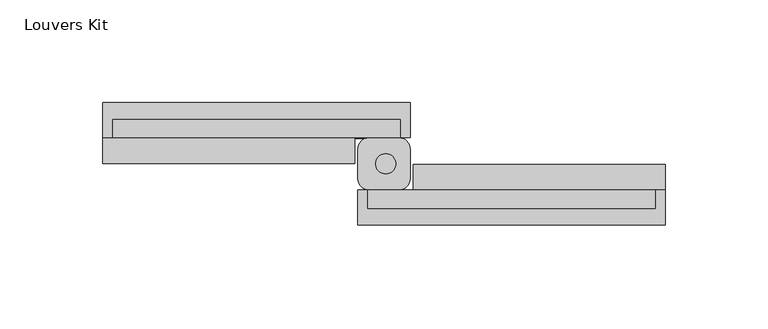
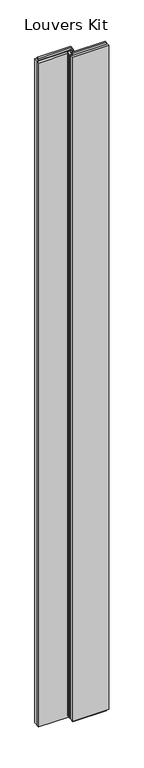
"""IFC4 building model written with IfcOpenShell, lengths in millimetres: proxy geometry, Louvers Kit."""

from ifc_helpers import new_model, si_unit, point, frame, frame_2d, origin, place, context, project, spatial, polyline, circle_curve, trimmed, segment, composite_curve, outline, extrude, source, transform, mapped, element, save


def louvers_kit_bd4141d8(model_context):
    return source(origin(), model_context, "Body", "SweptSolid", [
        extrude(outline(composite_curve([segment(trimmed(circle_curve(frame_2d((1630.6058798, 1062.3574405)), 4.8972954), [point((1630.6058798, 1067.2547359))], [point((1630.6058798, 1057.4601452))], False, "CARTESIAN"), True, "CONTINUOUS"), segment(trimmed(circle_curve(frame_2d((1630.6058798, 1062.3574405)), 4.8972954), [point((1630.6058798, 1057.4601452))], [point((1630.6058798, 1067.2547359))], False, "CARTESIAN"), True, "CONTINUOUS")], self_intersect=False)), frame((0.0, 0.0, 2931.287), z_axis=(0.0, 0.0, 1.0), x_axis=(1.0, 0.0, 0.0)), (0.0, 0.0, 1.0), 12.573),
        extrude(outline(polyline([(1048.2753817, 2934.462), (1042.1494993, 2934.462), (1040.7674405, 2943.86), (1049.6574405, 2943.86), (1048.2753817, 2934.462)])), frame((1621.8509986, 0.0, 0.0), z_axis=(1.0, 0.0, 0.0), x_axis=(0.0, 1.0, 0.0)), (0.0, 0.0, 1.0), 139.7),
        extrude(outline(polyline([(1049.6574405, 0.0), (1040.7674405, 0.0), (1042.1494993, 9.398), (1048.2753817, 9.398), (1049.6574405, 0.0)])), frame((1621.8509986, 0.0, 0.0), z_axis=(1.0, 0.0, 0.0), x_axis=(0.0, 1.0, 0.0)), (0.0, 0.0, 1.0), 139.7),
        extrude(outline(polyline([(1075.0574405, 2943.86), (1083.9474405, 2943.86), (1082.5653817, 2934.462), (1076.4394993, 2934.462), (1075.0574405, 2943.86)])), frame((1498.0259986, 0.0, 0.0), z_axis=(1.0, 0.0, 0.0), x_axis=(0.0, 1.0, 0.0)), (0.0, 0.0, 1.0), 139.7),
        extrude(outline(polyline([(1083.9474405, 0.0), (1075.0574405, 0.0), (1076.4394993, 9.398), (1082.5653817, 9.398), (1083.9474405, 0.0)])), frame((1498.0259986, 0.0, 0.0), z_axis=(1.0, 0.0, 0.0), x_axis=(0.0, 1.0, 0.0)), (0.0, 0.0, 1.0), 139.7),
        extrude(outline(polyline([(1493.2634986, 1062.5606405), (1493.2634986, 1075.0574405), (1615.5009986, 1075.0574405), (1615.5009986, 1062.5606405), (1493.2634986, 1062.5606405)])), frame((0.0, 0.0, 9.398), z_axis=(0.0, 0.0, 1.0), x_axis=(1.0, 0.0, 0.0)), (0.0, 0.0, 1.0), 2923.4765),
        extrude(outline(polyline([(1766.3134986, 1062.1542405), (1766.3134986, 1049.6574405), (1644.0759986, 1049.6574405), (1644.0759986, 1062.1542405), (1766.3134986, 1062.1542405)])), frame((0.0, 0.0, 9.398), z_axis=(0.0, 0.0, 1.0), x_axis=(1.0, 0.0, 0.0)), (0.0, 0.0, 1.0), 2923.4765),
        extrude(outline(composite_curve([segment(polyline([(1617.0884986, 1055.2136905), (1617.0884986, 1069.5011905)]), True, "CONTINUOUS"), segment(trimmed(circle_curve(frame_2d((1622.6447486, 1069.5011905)), 5.55625), [point((1617.0884986, 1069.5011905))], [point((1622.6447486, 1075.0574405))], False, "CARTESIAN"), True, "CONTINUOUS"), segment(polyline([(1622.6447486, 1075.0574405), (1636.9322486, 1075.0574405)]), True, "CONTINUOUS"), segment(trimmed(circle_curve(frame_2d((1636.9322486, 1069.5011905)), 5.55625), [point((1636.9322486, 1075.0574405))], [point((1642.4884986, 1069.5011905))], False, "CARTESIAN"), True, "CONTINUOUS"), segment(polyline([(1642.4884986, 1069.5011905), (1642.4884986, 1055.2136905)]), True, "CONTINUOUS"), segment(trimmed(circle_curve(frame_2d((1636.9322486, 1055.2136905)), 5.55625), [point((1642.4884986, 1055.2136905))], [point((1636.9322486, 1049.6574405))], False, "CARTESIAN"), True, "CONTINUOUS"), segment(polyline([(1636.9322486, 1049.6574405), (1622.6447486, 1049.6574405)]), True, "CONTINUOUS"), segment(trimmed(circle_curve(frame_2d((1622.6447486, 1055.2136905)), 5.55625), [point((1622.6447486, 1049.6574405))], [point((1617.0884986, 1055.2136905))], False, "CARTESIAN"), True, "CONTINUOUS")], self_intersect=False)), frame((0.0, 0.0, 8.636), z_axis=(0.0, 0.0, 1.0), x_axis=(1.0, 0.0, 0.0)), (0.0, 0.0, 1.0), 2922.651),
        extrude(outline(polyline([(1642.4884986, 1092.0574405), (1642.4884986, 1075.0574405), (1493.2634986, 1075.0574405), (1493.2634986, 1092.0574405), (1642.4884986, 1092.0574405)])), frame((0.0, 0.0, 9.398), z_axis=(0.0, 0.0, 1.0), x_axis=(1.0, 0.0, 0.0)), (0.0, 0.0, 1.0), 2925.064),
        extrude(outline(polyline([(1617.0884986, 1032.6574405), (1617.0884986, 1049.6574405), (1766.3134986, 1049.6574405), (1766.3134986, 1032.6574405), (1617.0884986, 1032.6574405)])), frame((0.0, 0.0, 9.398), z_axis=(0.0, 0.0, 1.0), x_axis=(1.0, 0.0, 0.0)), (0.0, 0.0, 1.0), 2925.064),
    ])


if __name__ == "__main__":
    model = new_model("IFC4")
    model_context = context("Model", 3, world=origin())
    ifc_project = project(units=[si_unit("LENGTHUNIT", "METRE", prefix="MILLI")], contexts=[model_context])
    site = spatial("IfcSite", under=ifc_project)
    building = spatial("IfcBuilding", under=site)
    placement = place(None, origin())
    louvers_kit_shape = louvers_kit_bd4141d8(model_context)
    element("IfcBuildingElementProxy", 1, Name="Louvers Kit", ObjectType="Louvers Kit", at=placement, inside=building, context=model_context, shape_type="MappedRepresentation", body=[
        mapped(louvers_kit_shape, transform((0.0, 0.0, 0.0), x_axis=(1.0, 0.0, 0.0), y_axis=(0.0, 1.0, 0.0), z_axis=(0.0, 0.0, 1.0))),
    ])
    save(model, "model.ifc")
